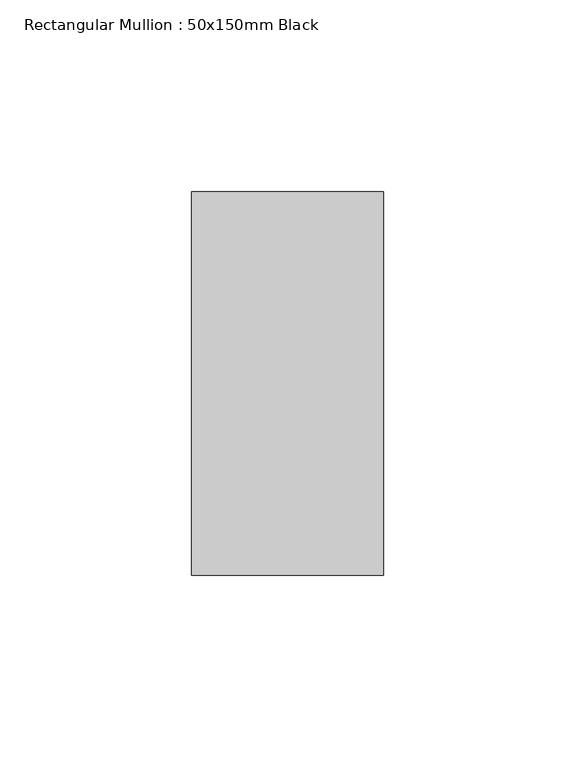
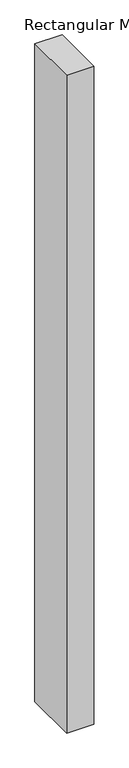
"""IFC4 building model written with IfcOpenShell, lengths in millimetres: member geometry, Rectangular Mullion : 50x150mm Black."""

from ifc_helpers import new_model, si_unit, frame, origin, place, context, project, spatial, polyline, outline, extrude, source, transform, mapped, element, save


def rectangular_mullion_50x150mm_black_74d4fe00(model_context):
    return source(origin(), model_context, "Body", "SweptSolid", [
        extrude(outline(polyline([(0.0, 50.0), (0.0, -50.0), (-50.0, -50.0), (-50.0, 50.0), (0.0, 50.0)])), frame((0.0, 0.0, -1270.0), z_axis=(0.0, 0.0, 1.0), x_axis=(1.0, 0.0, 0.0)), (0.0, 0.0, 1.0), 1270.0),
    ])


if __name__ == "__main__":
    model = new_model("IFC4")
    model_context = context("Model", 3, world=origin())
    ifc_project = project(units=[si_unit("LENGTHUNIT", "METRE", prefix="MILLI")], contexts=[model_context])
    site = spatial("IfcSite", under=ifc_project)
    building = spatial("IfcBuilding", under=site)
    placement = place(None, origin())
    rectangular_mullion_50x150mm_black_shape = rectangular_mullion_50x150mm_black_74d4fe00(model_context)
    element("IfcMember", 1, ObjectType="Rectangular Mullion : 50x150mm Black", at=placement, inside=building, context=model_context, shape_type="MappedRepresentation", body=[
        mapped(rectangular_mullion_50x150mm_black_shape, transform((0.0, 0.0, 0.0), x_axis=(1.0, 0.0, 0.0), y_axis=(0.0, 1.0, 0.0), z_axis=(0.0, 0.0, 1.0))),
    ])
    save(model, "model.ifc")
